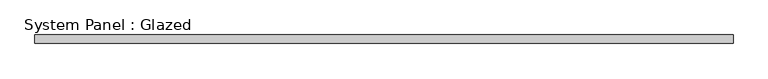
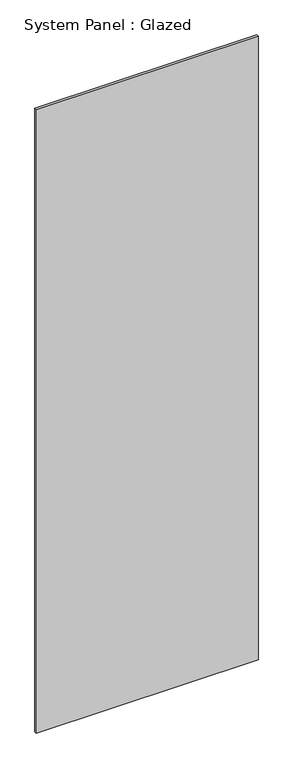
"""IFC4 building model written with IfcOpenShell, lengths in millimetres: plate geometry, System Panel : Glazed."""

from ifc_helpers import new_model, si_unit, origin, origin_with_axes, place, context, project, spatial, polyline, outline, extrude, source, transform, mapped, element, save


def system_panel_glazed_d8e4aa0b(model_context):
    return source(origin(), model_context, "Body", "SweptSolid", [
        extrude(outline(polyline([(1065.475, 19.05), (-1065.475, 19.05), (-1065.475, 44.45), (1065.475, 44.45), (1065.475, 19.05)])), origin_with_axes(), (0.0, 0.0, 1.0), 6336.5),
    ])


if __name__ == "__main__":
    model = new_model("IFC4")
    model_context = context("Model", 3, world=origin())
    ifc_project = project(units=[si_unit("LENGTHUNIT", "METRE", prefix="MILLI")], contexts=[model_context])
    site = spatial("IfcSite", under=ifc_project)
    building = spatial("IfcBuilding", under=site)
    placement = place(None, origin())
    system_panel_glazed_shape = system_panel_glazed_d8e4aa0b(model_context)
    element("IfcPlate", 1, ObjectType="System Panel : Glazed", at=placement, inside=building, context=model_context, shape_type="MappedRepresentation", body=[
        mapped(system_panel_glazed_shape, transform((0.0, 0.0, 0.0), x_axis=(1.0, 0.0, 0.0), y_axis=(0.0, 1.0, 0.0), z_axis=(0.0, 0.0, 1.0))),
    ])
    save(model, "model.ifc")
